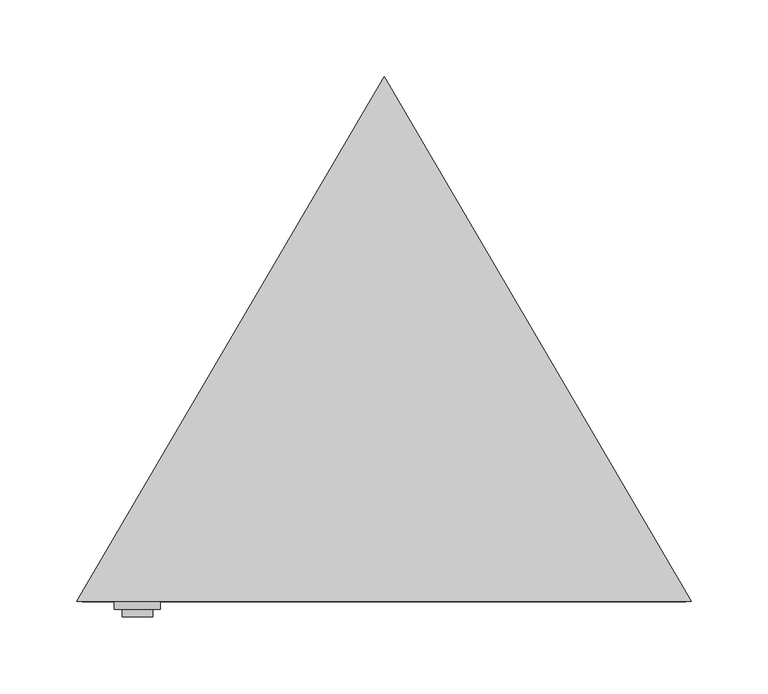
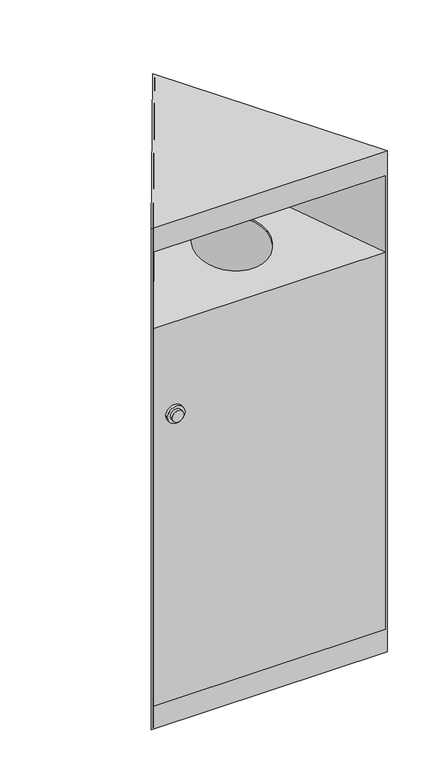
"""IFC4 building model written with IfcOpenShell, lengths in millimetres: furniture geometry."""

import ifcopenshell
import ifcopenshell.guid

model = None  # the IFC model being written
_history = None  # IfcOwnerHistory: only IFC2X3 demands one
_inside = {}  # id of a spatial element -> (the spatial element, [elements in it])
_under = {}  # id of a project, library or spatial element -> (it, [spatial elements below it])
_declared = {}  # id of a project -> (the project, [libraries it declares])
_typed = {}  # id of a type object -> (the type object, [elements of that type])
_made_of = {}  # id of a material, layer set ... -> (it, [elements and type objects made of it])


def new_model(schema):
    """Start an empty IFC model of exactly this schema.

    Asked for "IFC4X3", IfcOpenShell would pick the latest addendum, in which some entities
    have other attributes; the version numbers below select the first issue.
    IFC2X3 requires an IfcOwnerHistory on every rooted entity: one is made here for all.
    """
    global model, _history
    if schema == "IFC4X3":
        model = ifcopenshell.file(schema_version=(4, 3, 0, 0))
    else:
        model = ifcopenshell.file(schema=schema)
    _inside.clear()
    _under.clear()
    _declared.clear()
    _typed.clear()
    _made_of.clear()
    _history = None
    if model.schema == "IFC2X3":
        org = make("IfcOrganization", Name="unknown")
        user = make(
            "IfcPersonAndOrganization",
            ThePerson=make("IfcPerson", FamilyName="unknown"),
            TheOrganization=org,
        )
        app = make(
            "IfcApplication",
            ApplicationDeveloper=org,
            Version="unknown",
            ApplicationFullName="unknown",
            ApplicationIdentifier="unknown",
        )
        _history = make(
            "IfcOwnerHistory",
            OwningUser=user,
            OwningApplication=app,
            ChangeAction="ADDED",
            CreationDate=0,
        )
    return model


def make(cls, **values):
    """One entity of the class cls with the attributes given. An attribute that is None is left unset."""
    return model.create_entity(
        cls, **{name: value for name, value in values.items() if value is not None}
    )


def rooted(cls, **values):
    """An entity with a GlobalId (a new one), such as an element, a storey or a relation."""
    return make(cls, GlobalId=ifcopenshell.guid.new(), OwnerHistory=_history, **values)


def si_unit(unit_type, name, prefix=None):
    """IfcSIUnit, for example si_unit("LENGTHUNIT", "METRE", prefix="MILLI")."""
    return make("IfcSIUnit", UnitType=unit_type, Prefix=prefix, Name=name)


def assignment(units):
    """IfcUnitAssignment: the units of a project."""
    return None if units is None else make("IfcUnitAssignment", Units=units)


def point(xyz):
    """IfcCartesianPoint."""
    return None if xyz is None else make("IfcCartesianPoint", Coordinates=xyz)


def direction(xyz):
    """IfcDirection."""
    return None if xyz is None else make("IfcDirection", DirectionRatios=xyz)


def frame(location, z_axis=None, x_axis=None):
    """IfcAxis2Placement3D, a coordinate frame: its origin and axes. An axis left out is left unset."""
    return make(
        "IfcAxis2Placement3D",
        Location=point(location),
        Axis=direction(z_axis),
        RefDirection=direction(x_axis),
    )


def frame_2d(location, x_axis=None):
    """IfcAxis2Placement2D, a coordinate frame in the plane: its origin and x axis."""
    return make(
        "IfcAxis2Placement2D", Location=point(location), RefDirection=direction(x_axis)
    )


def origin():
    """The frame at (0, 0, 0) with its axes left unset."""
    return frame((0.0, 0.0, 0.0))


def origin_with_axes():
    """The frame at (0, 0, 0) with the z axis (0, 0, 1) and the x axis (1, 0, 0) written out."""
    return frame((0.0, 0.0, 0.0), z_axis=(0.0, 0.0, 1.0), x_axis=(1.0, 0.0, 0.0))


def place(relative_to, where):
    """IfcLocalPlacement: puts the frame where relative to a parent placement (None: the world)."""
    return make(
        "IfcLocalPlacement", PlacementRelTo=relative_to, RelativePlacement=where
    )


def context(
    kind, dimensions, precision=None, world=None, true_north=None, identifier=None
):
    """IfcGeometricRepresentationContext, for example the 3D "Model" context."""
    return make(
        "IfcGeometricRepresentationContext",
        ContextIdentifier=identifier,
        ContextType=kind,
        CoordinateSpaceDimension=dimensions,
        Precision=precision,
        WorldCoordinateSystem=world,
        TrueNorth=true_north,
    )


def project(units=None, contexts=None):
    """IfcProject with its units and contexts."""
    return rooted(
        "IfcProject",
        Name="project",
        RepresentationContexts=contexts,
        UnitsInContext=assignment(units),
    )


def spatial(cls, under=None, at=None, **own):
    """A site, building, storey or space (cls), placed at a placement, below another one or the project."""
    s = rooted(cls, ObjectPlacement=at, **own)
    if under is not None:
        _under.setdefault(under.id(), (under, []))[1].append(s)
    return s


def polyline(points):
    """IfcPolyline through the points."""
    return make("IfcPolyline", Points=[point(p) for p in points])


def circle_curve(where, radius):
    """IfcCircle in the frame where."""
    return make("IfcCircle", Position=where, Radius=radius)


def ellipse_curve(where, semi_axis1, semi_axis2):
    """IfcEllipse in the frame where."""
    return make(
        "IfcEllipse", Position=where, SemiAxis1=semi_axis1, SemiAxis2=semi_axis2
    )


def trimmed(basis, trim1, trim2, sense, master):
    """IfcTrimmedCurve: the piece of a basis curve between two trims."""
    return make(
        "IfcTrimmedCurve",
        BasisCurve=basis,
        Trim1=trim1,
        Trim2=trim2,
        SenseAgreement=sense,
        MasterRepresentation=master,
    )


def segment(curve, same_sense, transition):
    """IfcCompositeCurveSegment."""
    return make(
        "IfcCompositeCurveSegment",
        Transition=transition,
        SameSense=same_sense,
        ParentCurve=curve,
    )


def composite_curve(segments, self_intersect=None):
    """IfcCompositeCurve: segments joined end to end."""
    return make("IfcCompositeCurve", Segments=segments, SelfIntersect=self_intersect)


def outline(outer, holes=None, kind="AREA"):
    """IfcArbitraryClosedProfileDef: a profile drawn as a closed curve; with holes, ...WithVoids."""
    if holes is None:
        return make("IfcArbitraryClosedProfileDef", ProfileType=kind, OuterCurve=outer)
    return make(
        "IfcArbitraryProfileDefWithVoids",
        ProfileType=kind,
        OuterCurve=outer,
        InnerCurves=holes,
    )


def extrude(swept, where, along, depth):
    """IfcExtrudedAreaSolid: the profile swept, set in the frame where, extruded along a direction by depth."""
    return make(
        "IfcExtrudedAreaSolid",
        SweptArea=swept,
        Position=where,
        ExtrudedDirection=direction(along),
        Depth=depth,
    )


def faces_of(points, faces, orient=None, outer=None):
    """IfcFace entities. A face is a list of loops; a loop is a list of indices into points, from 0.

    orient and outer hold one flag for each loop. By default every Orientation is true, the
    first loop of a face is its IfcFaceOuterBound and the others are IfcFaceBound.
    """
    made = []
    for i, loops in enumerate(faces):
        bounds = []
        for j, loop in enumerate(loops):
            is_outer = j == 0 if outer is None else outer[i][j]
            bounds.append(
                make(
                    "IfcFaceOuterBound" if is_outer else "IfcFaceBound",
                    Bound=make("IfcPolyLoop", Polygon=[points[k] for k in loop]),
                    Orientation=True if orient is None else orient[i][j],
                )
            )
        made.append(make("IfcFace", Bounds=bounds))
    return made


def faceted_brep(points, faces, orient=None, outer=None, voids=None):
    """IfcFacetedBrep: a solid bounded by flat faces; with voids (closed shells), ...WithVoids."""
    shared = [point(p) for p in points]
    hull = make("IfcClosedShell", CfsFaces=faces_of(shared, faces, orient, outer))
    if voids is None:
        return make("IfcFacetedBrep", Outer=hull)
    return make(
        "IfcFacetedBrepWithVoids",
        Outer=hull,
        Voids=[
            make(cls, CfsFaces=faces_of(shared, fs, o, b)) for cls, fs, o, b in voids
        ],
    )


def shape(context_of_items, identifier, shape_type, items):
    """IfcShapeRepresentation: the items that make up one representation, for example the "Body"."""
    return make(
        "IfcShapeRepresentation",
        ContextOfItems=context_of_items,
        RepresentationIdentifier=identifier,
        RepresentationType=shape_type,
        Items=items,
    )


def source(mapping_origin, context_of_items, identifier, shape_type, items):
    """IfcRepresentationMap: a shape defined once, which mapped items show again and again."""
    return make(
        "IfcRepresentationMap",
        MappingOrigin=mapping_origin,
        MappedRepresentation=shape(context_of_items, identifier, shape_type, items),
    )


def transform(
    local_origin,
    x_axis=None,
    y_axis=None,
    z_axis=None,
    scale=None,
    scale2=None,
    scale3=None,
    uniform=True,
):
    """IfcCartesianTransformationOperator3D, or its non-uniform kind. x_axis, y_axis, z_axis: its Axis1, 2, 3."""
    if uniform:
        return make(
            "IfcCartesianTransformationOperator3D",
            Axis1=direction(x_axis),
            Axis2=direction(y_axis),
            LocalOrigin=point(local_origin),
            Scale=scale,
            Axis3=direction(z_axis),
        )
    return make(
        "IfcCartesianTransformationOperator3DnonUniform",
        Axis1=direction(x_axis),
        Axis2=direction(y_axis),
        LocalOrigin=point(local_origin),
        Scale=scale,
        Axis3=direction(z_axis),
        Scale2=scale2,
        Scale3=scale3,
    )


def mapped(mapping_source, mapping_target):
    """IfcMappedItem: shows the shape of a source again, moved by a transform."""
    return make(
        "IfcMappedItem", MappingSource=mapping_source, MappingTarget=mapping_target
    )


def made_of(thing, what):
    """Note that an element or type object is made of a material, layer set ...; save() writes the relation."""
    if what is not None:
        _made_of.setdefault(what.id(), (what, []))[1].append(thing)
    return thing


def element(
    cls,
    number,
    at=None,
    inside=None,
    cuts=None,
    type_object=None,
    material=None,
    context=None,
    identifier="Body",
    shape_type=None,
    held_by="IfcProductDefinitionShape",
    body=None,
    shapes=None,
    **own,
):
    """One element of the class cls, such as IfcWall. Its Tag is "e" and its number.

    at: its placement. inside: the storey or other place that contains it. cuts: it is an
    opening in that element (IfcRelVoidsElement). A single representation is given by context,
    identifier, shape_type and body (its items); several are given by shapes. held_by: the class
    of the entity that holds the representations. save() writes the other relations.
    """
    e = rooted(cls, Tag="e%d" % number, ObjectPlacement=at, **own)
    if body is not None:
        shapes = [shape(context, identifier, shape_type, body)]
    if shapes is not None:
        e.Representation = make(held_by, Representations=shapes)
    if inside is not None:
        _inside.setdefault(inside.id(), (inside, []))[1].append(e)
    if cuts is not None:
        rooted(
            "IfcRelVoidsElement", RelatingBuildingElement=cuts, RelatedOpeningElement=e
        )
    if type_object is not None:
        _typed.setdefault(type_object.id(), (type_object, []))[1].append(e)
    return made_of(e, material)


def aggregate(whole, parts):
    """IfcRelAggregates: a whole, such as a stair, and the parts it consists of."""
    return rooted("IfcRelAggregates", RelatingObject=whole, RelatedObjects=parts)


def save(model, path):
    """Write the relations noted so far, then the file.

    IfcRelAggregates (storeys below a building ...), IfcRelContainedInSpatialStructure (elements
    in a storey), IfcRelDefinesByType, IfcRelAssociatesMaterial and IfcRelDeclares: one each for
    every whole, place, type object, material and project.
    """
    for whole, parts in _under.values():
        aggregate(whole, parts)
    for where, things in _inside.values():
        rooted(
            "IfcRelContainedInSpatialStructure",
            RelatedElements=things,
            RelatingStructure=where,
        )
    for kind, things in _typed.values():
        rooted("IfcRelDefinesByType", RelatedObjects=things, RelatingType=kind)
    for what, things in _made_of.values():
        rooted("IfcRelAssociatesMaterial", RelatedObjects=things, RelatingMaterial=what)
    for by, libraries in _declared.values():
        rooted("IfcRelDeclares", RelatingContext=by, RelatedDefinitions=libraries)
    model.write(path)


def plane_surface(at):
    """IfcPlane: the flat surface through the origin of the frame at, square to its z axis."""
    return make("IfcPlane", Position=at)


def revolved_surface(curve, axis_point, axis_direction):
    """IfcSurfaceOfRevolution: the curve turned about the line through axis_point along axis_direction."""
    return make(
        "IfcSurfaceOfRevolution",
        SweptCurve=make("IfcArbitraryOpenProfileDef", ProfileType="CURVE", Curve=curve),
        AxisPosition=make("IfcAxis1Placement", Location=point(axis_point), Axis=direction(axis_direction)),
    )


def advanced_brep(points, edges, surfaces, faces):
    """IfcAdvancedBrep: a solid bounded by faces that lie on surfaces and meet in shared edges.

    An edge is (start, end): straight between two places in points (the first is 0);
    or (start, end, curve); or (start, end, curve, False) where it runs against its curve.
    A face is (place in surfaces, loops), or (place, loops, False) where it looks against
    its surface's normal. A loop lists edges by number (the first is 1), with a minus sign
    where the edge is run from its end to its start. The first loop is the outer one.
    """
    corners = [point(p) for p in points]
    vertices = [make("IfcVertexPoint", VertexGeometry=c) for c in corners]
    made = []
    for start, end, *more in edges:
        made.append(
            make(
                "IfcEdgeCurve",
                EdgeStart=vertices[start],
                EdgeEnd=vertices[end],
                EdgeGeometry=more[0] if more else make("IfcPolyline", Points=[corners[start], corners[end]]),
                SameSense=more[1] if len(more) > 1 else True,
            )
        )
    hull = []
    for where, loops, *sense in faces:
        bounds = []
        for j, loop in enumerate(loops):
            ring = [make("IfcOrientedEdge", EdgeElement=made[abs(k) - 1], Orientation=k > 0) for k in loop]
            bounds.append(
                make(
                    "IfcFaceOuterBound" if j == 0 else "IfcFaceBound",
                    Bound=make("IfcEdgeLoop", EdgeList=ring),
                    Orientation=True,
                )
            )
        hull.append(make("IfcAdvancedFace", Bounds=bounds, FaceSurface=surfaces[where], SameSense=sense[0] if sense else True))
    return make("IfcAdvancedBrep", Outer=make("IfcClosedShell", CfsFaces=hull))


def furniture_06daaef4(model_context):
    return source(origin(), model_context, "Body", "SolidModel", [
        extrude(outline(composite_curve([segment(trimmed(circle_curve(frame_2d((554.0, -160.5265992)), 10.0), [point((554.0, -150.5265992))], [point((554.0, -170.5265992))], False, "CARTESIAN"), True, "CONTINUOUS"), segment(trimmed(circle_curve(frame_2d((554.0, -160.5265992)), 10.0), [point((554.0, -170.5265992))], [point((554.0, -150.5265992))], False, "CARTESIAN"), True, "CONTINUOUS")], self_intersect=False)), frame((0.0, -120.0, 0.0), z_axis=(0.0, 1.0, 0.0), x_axis=(0.0, 0.0, 1.0)), (0.0, 0.0, 1.0), 5.0),
        extrude(outline(composite_curve([segment(trimmed(circle_curve(frame_2d((554.0, -160.5265992)), 15.0), [point((554.0, -175.5265992))], [point((554.0, -145.5265992))], False, "CARTESIAN"), True, "CONTINUOUS"), segment(trimmed(circle_curve(frame_2d((554.0, -160.5265992)), 15.0), [point((554.0, -145.5265992))], [point((554.0, -175.5265992))], False, "CARTESIAN"), True, "CONTINUOUS")], self_intersect=False)), frame((0.0, -115.0, 0.0), z_axis=(0.0, 1.0, 0.0), x_axis=(0.0, 0.0, 1.0)), (0.0, 0.0, 1.0), 5.0),
        advanced_brep(
        [(0.0, 225.8435572, 776.4645603), (0.0, 225.8435572, 773.4182804), (-194.768619, -107.0, 714.7289809), (-194.768619, -107.0, 40.8), (-196.524116, -110.0, 40.8), (-196.524116, -110.0, 717.2462798), (196.524116, -110.0, 717.2462798), (196.524116, -110.0, 40.8), (194.768619, -107.0, 40.8), (194.768619, -107.0, 714.7289809), (-60.0, 0.0, 733.5959679), (60.0, 0.0, 733.5959679), (60.0, 0.0, 736.6422477), (-60.0, 0.0, 736.6422477)],
        [
            (0, 1),
            (1, 2),
            (2, 3),
            (3, 4),
            (4, 5),
            (5, 0),
            (0, 6),
            (6, 7),
            (7, 8),
            (8, 9),
            (9, 1),
            (6, 5),
            (4, 7),
            (2, 9),
            (8, 3),
            (10, 11, ellipse_curve(frame((0.0, 0.0, 733.5959679), z_axis=(0.0, -0.1736481776669201, 0.9848077530122099), x_axis=(0.0, 0.9848077530122099, 0.1736481776669194)), 60.9255967, 60.0)),
            (11, 10, ellipse_curve(frame((0.0, 0.0, 733.5959679), z_axis=(0.0, -0.1736481776669201, 0.9848077530122099), x_axis=(0.0, 0.9848077530122099, 0.1736481776669194)), 60.9255967, 60.0)),
            (12, 13, ellipse_curve(frame((0.0, 0.0, 736.6422477), z_axis=(0.0, 0.17364817766692092, -0.9848077530122098), x_axis=(0.0, 0.98480775301221, 0.17364817766691987)), 60.9255967, 60.0)),
            (13, 12, ellipse_curve(frame((0.0, 0.0, 736.6422477), z_axis=(0.0, 0.17364817766692092, -0.9848077530122098), x_axis=(0.0, 0.98480775301221, 0.17364817766691987)), 60.9255967, 60.0)),
            (10, 13),
            (12, 11),
        ],
        [
            plane_surface(frame((-196.524116, -110.0, 798.3172983), z_axis=(-0.8630897910114753, 0.5050505050505028, 0.0), x_axis=(0.0, 0.0, -1.0))),
            plane_surface(frame((0.0, 225.8435572, 798.3172983), z_axis=(0.8630897910114752, 0.5050505050505029, 0.0), x_axis=(0.0, 0.0, -1.0))),
            plane_surface(frame((214.0303996, -110.0, 717.2462798), z_axis=(0.0, -1.0, 0.0), x_axis=(-1.0, 0.0, 0.0))),
            plane_surface(frame((214.0303996, -107.0, 712.4963695), z_axis=(0.0, 1.0, 0.0), x_axis=(-1.0, 0.0, 0.0))),
            plane_surface(frame((214.0303996, -107.0, 714.7289809), z_axis=(0.0, 0.1736481776669201, -0.9848077530122099), x_axis=(-1.0, 0.0, 0.0))),
            plane_surface(frame((214.0303996, 258.3169211, 782.1904905), z_axis=(0.0, -0.17364817766692092, 0.9848077530122098), x_axis=(-1.0, 0.0, 0.0))),
            revolved_surface(polyline([(60.0, 0.0, 747.2218665402247), (60.0, 0.0, 723.0163490597753)]), (0.0, 0.0, 692.8872812), (0.0, 0.0, 1.0)),
            plane_surface(frame((-196.524116, -110.0, 40.8), z_axis=(0.0, 0.0, -1.0), x_axis=(0.5050505050505054, 0.8630897910114738, 0.0))),
        ],
        [
            (0, [[1, 2, 3, 4, 5, 6]]),
            (1, [[-1, 7, 8, 9, 10, 11]]),
            (2, [[-8, 12, -5, 13]]),
            (3, [[-3, 14, -10, 15]]),
            (4, [[-14, -2, -11], [16, 17]]),
            (5, [[-12, -7, -6], [18, 19]]),
            (6, [[20, -18, 21, -16]]),
            (6, [[-20, -17, -21, -19]]),
            (7, [[-15, -9, -13, -4]]),
        ],
    ),
        extrude(outline(polyline([(0.0, 225.8435572), (194.768619, -107.0), (-194.768619, -107.0), (0.0, 225.8435572)])), origin_with_axes(), (0.0, 0.0, 1.0), 3.0),
        faceted_brep([(200.0, -110.0, 898.0), (0.0, 231.7835572, 898.0), (-200.0, -110.0, 898.0), (-200.0, -110.0, 0.0), (0.0, 231.7835572, 0.0), (200.0, -110.0, 0.0), (0.0, 225.8435572, 0.0), (-194.768619, -107.0, 0.0), (194.768619, -107.0, 0.0), (0.0, 225.8435572, 895.0), (-194.768619, -107.0, 895.0), (-194.768619, -107.0, 854.2), (-196.524116, -110.0, 854.2), (-196.524116, -110.0, 40.8), (-194.768619, -107.0, 40.8), (194.768619, -107.0, 40.8), (196.524116, -110.0, 40.8), (196.524116, -110.0, 854.2), (194.768619, -107.0, 854.2), (194.768619, -107.0, 895.0)], [[[0, 1, 2]], [[3, 4, 5], [6, 7, 8]], [[6, 9, 10, 11, 12, 13, 14, 7]], [[9, 6, 8, 15, 16, 17, 18, 19]], [[3, 5, 0, 2], [17, 16, 13, 12]], [[1, 0, 5, 4]], [[2, 1, 4, 3]], [[10, 9, 19]], [[11, 18, 17, 12]], [[18, 11, 10, 19]], [[15, 14, 13, 16]], [[14, 15, 8, 7]]]),
    ])


if __name__ == "__main__":
    model = new_model("IFC4")
    model_context = context("Model", 3, world=origin())
    ifc_project = project(units=[si_unit("LENGTHUNIT", "METRE", prefix="MILLI")], contexts=[model_context])
    site = spatial("IfcSite", under=ifc_project)
    building = spatial("IfcBuilding", under=site)
    placement = place(None, origin())
    furniture_shape = furniture_06daaef4(model_context)
    element("IfcFurniture", 1, at=placement, inside=building, context=model_context, shape_type="MappedRepresentation", body=[
        mapped(furniture_shape, transform((0.0, 0.0, 0.0), x_axis=(1.0, 0.0, 0.0), y_axis=(0.0, 1.0, 0.0), z_axis=(0.0, 0.0, 1.0))),
    ])
    save(model, "model.ifc")
